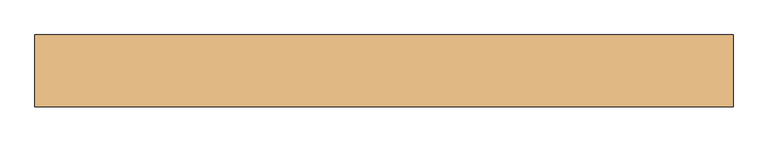
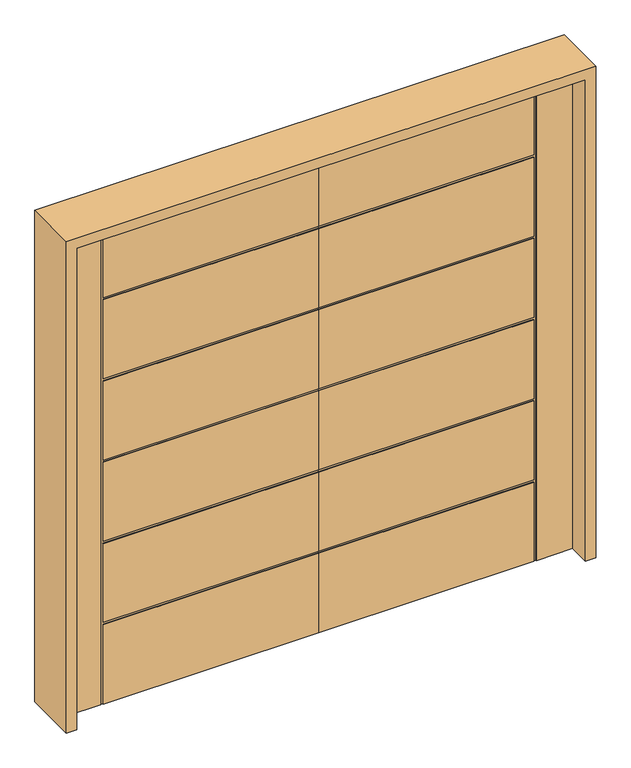
"""IFC4 building model written with IfcOpenShell, lengths in millimetres: door geometry."""

from ifc_helpers import new_model, si_unit, frame, origin, place, context, project, spatial, polyline, outline, extrude, faceted_brep, source, transform, mapped, element, save


def door_2b05af65(model_context):
    return source(origin(), model_context, "Body", "SolidModel", [
        faceted_brep([(0.0, -22.225, 0.0), (-903.224, -22.225, 0.0), (-903.224, -19.05, 0.0), (-913.13, -19.05, 0.0), (-913.13, -22.225, 0.0), (-1066.8, -22.225, 0.0), (-1066.8, 22.225, 0.0), (-913.13, 22.225, 0.0), (-913.13, 18.923, 0.0), (-903.224, 18.923, 0.0), (-903.224, 22.225, 0.0), (0.0, 22.225, 0.0), (0.0, -22.225, 2133.6), (0.0, -22.225, 1801.368), (0.0, -19.05, 1801.368), (0.0, -19.05, 1791.462), (0.0, -22.225, 1791.462), (0.0, -22.225, 1441.45), (0.0, -19.05, 1441.45), (0.0, -19.05, 1431.544), (0.0, -22.225, 1431.544), (0.0, -22.225, 1081.532), (0.0, -19.05, 1081.532), (0.0, -19.05, 1071.626), (0.0, -22.225, 1071.626), (0.0, -22.225, 721.614), (0.0, -19.05, 721.614), (0.0, -19.05, 711.708), (0.0, -22.225, 711.708), (0.0, -22.225, 361.696), (0.0, -19.05, 361.696), (0.0, -19.05, 351.79), (0.0, -22.225, 351.79), (0.0, 22.225, 351.79), (0.0, 18.923, 351.79), (0.0, 18.923, 361.696), (0.0, 22.225, 361.696), (0.0, 22.225, 711.708), (0.0, 18.923, 711.708), (0.0, 18.923, 721.614), (0.0, 22.225, 721.614), (0.0, 22.225, 1071.626), (0.0, 18.923, 1071.626), (0.0, 18.923, 1081.532), (0.0, 22.225, 1081.532), (0.0, 22.225, 1431.544), (0.0, 18.923, 1431.544), (0.0, 18.923, 1441.45), (0.0, 22.225, 1441.45), (0.0, 22.225, 1791.462), (0.0, 18.923, 1791.462), (0.0, 18.923, 1801.368), (0.0, 22.225, 1801.368), (0.0, 22.225, 2133.6), (-903.224, 22.225, 1801.368), (-903.224, 22.225, 2133.6), (-903.224, 22.225, 351.79), (-903.224, 22.225, 361.696), (-903.224, 22.225, 711.708), (-903.224, 22.225, 721.614), (-903.224, 22.225, 1071.626), (-903.224, 22.225, 1081.532), (-903.224, 22.225, 1431.544), (-903.224, 22.225, 1441.45), (-903.224, 22.225, 1791.462), (-1066.8, 22.225, 2133.6), (-913.13, 22.225, 2133.6), (-903.224, 18.923, 351.79), (-903.224, 18.923, 361.696), (-913.13, 18.923, 2133.6), (-903.224, 18.923, 2133.6), (-903.224, 18.923, 1801.368), (-903.224, 18.923, 1791.462), (-903.224, 18.923, 1441.45), (-903.224, 18.923, 1431.544), (-903.224, 18.923, 1081.532), (-903.224, 18.923, 1071.626), (-903.224, 18.923, 721.614), (-903.224, 18.923, 711.708), (-1066.8, -22.225, 2133.6), (-913.13, -22.225, 2133.6), (-903.224, -22.225, 351.79), (-903.224, -22.225, 711.708), (-903.224, -22.225, 361.696), (-903.224, -22.225, 1071.626), (-903.224, -22.225, 721.614), (-903.224, -22.225, 2133.6), (-903.224, -22.225, 1801.368), (-903.224, -22.225, 1431.544), (-903.224, -22.225, 1081.532), (-903.224, -22.225, 1791.462), (-903.224, -22.225, 1441.45), (-913.13, -19.05, 2133.6), (-903.224, -19.05, 2133.6), (-903.224, -19.05, 361.696), (-903.224, -19.05, 711.708), (-903.224, -19.05, 721.614), (-903.224, -19.05, 1071.626), (-903.224, -19.05, 1081.532), (-903.224, -19.05, 1431.544), (-903.224, -19.05, 1441.45), (-903.224, -19.05, 1791.462), (-903.224, -19.05, 1801.368), (-903.224, -19.05, 351.79)], [[[0, 1, 2, 3, 4, 5, 6, 7, 8, 9, 10, 11]], [[12, 13, 14, 15, 16, 17, 18, 19, 20, 21, 22, 23, 24, 25, 26, 27, 28, 29, 30, 31, 32, 0, 11, 33, 34, 35, 36, 37, 38, 39, 40, 41, 42, 43, 44, 45, 46, 47, 48, 49, 50, 51, 52, 53]], [[53, 52, 54, 55]], [[10, 56, 33, 11]], [[36, 57, 58, 37]], [[40, 59, 60, 41]], [[44, 61, 62, 45]], [[48, 63, 64, 49]], [[65, 66, 7, 6]], [[67, 56, 10, 9]], [[68, 35, 34, 67, 9, 8, 69, 70, 71, 51, 50, 72, 73, 47, 46, 74, 75, 43, 42, 76, 77, 39, 38, 78]], [[8, 7, 66, 69]], [[65, 6, 5, 79]], [[5, 4, 80, 79]], [[0, 32, 81, 1]], [[28, 82, 83, 29]], [[24, 84, 85, 25]], [[86, 87, 13, 12]], [[20, 88, 89, 21]], [[16, 90, 91, 17]], [[34, 33, 56, 67]], [[38, 37, 58, 78]], [[78, 58, 57, 68]], [[68, 57, 36, 35]], [[42, 41, 60, 76]], [[76, 60, 59, 77]], [[77, 59, 40, 39]], [[74, 62, 61, 75]], [[75, 61, 44, 43]], [[79, 80, 92, 93, 86, 12, 53, 55, 70, 69, 66, 65]], [[46, 45, 62, 74]], [[73, 63, 48, 47]], [[72, 64, 63, 73]], [[50, 49, 64, 72]], [[71, 54, 52, 51]], [[70, 55, 54, 71]], [[92, 80, 4, 3]], [[94, 95, 27, 26, 96, 97, 23, 22, 98, 99, 19, 18, 100, 101, 15, 14, 102, 93, 92, 3, 2, 103, 31, 30]], [[2, 1, 81, 103]], [[103, 81, 32, 31]], [[30, 29, 83, 94]], [[94, 83, 82, 95]], [[95, 82, 28, 27]], [[26, 25, 85, 96]], [[96, 85, 84, 97]], [[97, 84, 24, 23]], [[22, 21, 89, 98]], [[98, 89, 88, 99]], [[99, 88, 20, 19]], [[18, 17, 91, 100]], [[100, 91, 90, 101]], [[101, 90, 16, 15]], [[14, 13, 87, 102]], [[102, 87, 86, 93]]]),
        faceted_brep([(0.0, -22.225, 0.0), (0.0, 22.225, 0.0), (903.224, 22.225, 0.0), (903.224, 18.923, 0.0), (913.13, 18.923, 0.0), (913.13, 22.225, 0.0), (1066.8, 22.225, 0.0), (1066.8, -22.225, 0.0), (913.13, -22.225, 0.0), (913.13, -19.05, 0.0), (903.224, -19.05, 0.0), (903.224, -22.225, 0.0), (0.0, -22.225, 2133.6), (0.0, 22.225, 2133.6), (0.0, 22.225, 1801.368), (0.0, 18.923, 1801.368), (0.0, 18.923, 1791.462), (0.0, 22.225, 1791.462), (0.0, 22.225, 1441.45), (0.0, 18.923, 1441.45), (0.0, 18.923, 1431.544), (0.0, 22.225, 1431.544), (0.0, 22.225, 1081.532), (0.0, 18.923, 1081.532), (0.0, 18.923, 1071.626), (0.0, 22.225, 1071.626), (0.0, 22.225, 721.614), (0.0, 18.923, 721.614), (0.0, 18.923, 711.708), (0.0, 22.225, 711.708), (0.0, 22.225, 361.696), (0.0, 18.923, 361.696), (0.0, 18.923, 351.79), (0.0, 22.225, 351.79), (0.0, -22.225, 351.79), (0.0, -19.05, 351.79), (0.0, -19.05, 361.696), (0.0, -22.225, 361.696), (0.0, -22.225, 711.708), (0.0, -19.05, 711.708), (0.0, -19.05, 721.614), (0.0, -22.225, 721.614), (0.0, -22.225, 1071.626), (0.0, -19.05, 1071.626), (0.0, -19.05, 1081.532), (0.0, -22.225, 1081.532), (0.0, -22.225, 1431.544), (0.0, -19.05, 1431.544), (0.0, -19.05, 1441.45), (0.0, -22.225, 1441.45), (0.0, -22.225, 1791.462), (0.0, -19.05, 1791.462), (0.0, -19.05, 1801.368), (0.0, -22.225, 1801.368), (903.224, 22.225, 351.79), (903.224, 22.225, 1791.462), (903.224, 22.225, 1441.45), (903.224, 22.225, 1431.544), (903.224, 22.225, 1081.532), (903.224, 22.225, 1071.626), (903.224, 22.225, 721.614), (903.224, 22.225, 711.708), (903.224, 22.225, 361.696), (1066.8, 22.225, 2133.6), (913.13, 22.225, 2133.6), (903.224, 22.225, 2133.6), (903.224, 22.225, 1801.368), (903.224, 18.923, 351.79), (903.224, 18.923, 361.696), (903.224, 18.923, 711.708), (903.224, 18.923, 721.614), (903.224, 18.923, 1071.626), (903.224, 18.923, 1081.532), (903.224, 18.923, 1431.544), (903.224, 18.923, 1441.45), (903.224, 18.923, 1791.462), (903.224, 18.923, 1801.368), (903.224, 18.923, 2133.6), (913.13, 18.923, 2133.6), (1066.8, -22.225, 2133.6), (903.224, -22.225, 351.79), (913.13, -22.225, 2133.6), (903.224, -22.225, 361.696), (903.224, -22.225, 711.708), (903.224, -22.225, 721.614), (903.224, -22.225, 1071.626), (903.224, -22.225, 1081.532), (903.224, -22.225, 1431.544), (903.224, -22.225, 1441.45), (903.224, -22.225, 1791.462), (903.224, -22.225, 2133.6), (903.224, -22.225, 1801.368), (903.224, -19.05, 2133.6), (913.13, -19.05, 2133.6), (903.224, -19.05, 361.696), (903.224, -19.05, 351.79), (903.224, -19.05, 1801.368), (903.224, -19.05, 1791.462), (903.224, -19.05, 1441.45), (903.224, -19.05, 1431.544), (903.224, -19.05, 1081.532), (903.224, -19.05, 1071.626), (903.224, -19.05, 721.614), (903.224, -19.05, 711.708)], [[[0, 1, 2, 3, 4, 5, 6, 7, 8, 9, 10, 11]], [[12, 13, 14, 15, 16, 17, 18, 19, 20, 21, 22, 23, 24, 25, 26, 27, 28, 29, 30, 31, 32, 33, 1, 0, 34, 35, 36, 37, 38, 39, 40, 41, 42, 43, 44, 45, 46, 47, 48, 49, 50, 51, 52, 53]], [[2, 1, 33, 54]], [[18, 17, 55, 56]], [[22, 21, 57, 58]], [[26, 25, 59, 60]], [[30, 29, 61, 62]], [[63, 6, 5, 64]], [[13, 65, 66, 14]], [[67, 3, 2, 54]], [[68, 69, 28, 27, 70, 71, 24, 23, 72, 73, 20, 19, 74, 75, 16, 15, 76, 77, 78, 4, 3, 67, 32, 31]], [[4, 78, 64, 5]], [[63, 79, 7, 6]], [[0, 11, 80, 34]], [[7, 79, 81, 8]], [[38, 37, 82, 83]], [[42, 41, 84, 85]], [[46, 45, 86, 87]], [[50, 49, 88, 89]], [[90, 12, 53, 91]], [[32, 67, 54, 33]], [[28, 69, 61, 29]], [[69, 68, 62, 61]], [[68, 31, 30, 62]], [[24, 71, 59, 25]], [[71, 70, 60, 59]], [[70, 27, 26, 60]], [[73, 72, 58, 57]], [[72, 23, 22, 58]], [[79, 63, 64, 78, 77, 65, 13, 12, 90, 92, 93, 81]], [[20, 73, 57, 21]], [[74, 19, 18, 56]], [[75, 74, 56, 55]], [[16, 75, 55, 17]], [[76, 15, 14, 66]], [[77, 76, 66, 65]], [[93, 9, 8, 81]], [[94, 36, 35, 95, 10, 9, 93, 92, 96, 52, 51, 97, 98, 48, 47, 99, 100, 44, 43, 101, 102, 40, 39, 103]], [[10, 95, 80, 11]], [[95, 35, 34, 80]], [[36, 94, 82, 37]], [[94, 103, 83, 82]], [[103, 39, 38, 83]], [[40, 102, 84, 41]], [[102, 101, 85, 84]], [[101, 43, 42, 85]], [[44, 100, 86, 45]], [[100, 99, 87, 86]], [[99, 47, 46, 87]], [[48, 98, 88, 49]], [[98, 97, 89, 88]], [[97, 51, 50, 89]], [[52, 96, 91, 53]], [[96, 92, 90, 91]]]),
        extrude(outline(polyline([(0.0, -1111.25), (0.0, -1066.8), (2133.6, -1066.8), (2133.6, 1066.8), (0.0, 1066.8), (0.0, 1111.25), (2178.05, 1111.25), (2178.05, -1111.25), (0.0, -1111.25)])), frame((0.0, -114.3, 0.0), z_axis=(0.0, 1.0, 0.0), x_axis=(0.0, 0.0, 1.0)), (0.0, 0.0, 1.0), 228.6),
    ])


if __name__ == "__main__":
    model = new_model("IFC4")
    model_context = context("Model", 3, world=origin())
    ifc_project = project(units=[si_unit("LENGTHUNIT", "METRE", prefix="MILLI")], contexts=[model_context])
    site = spatial("IfcSite", under=ifc_project)
    building = spatial("IfcBuilding", under=site)
    placement = place(None, origin())
    door_shape = door_2b05af65(model_context)
    element("IfcDoor", 1, at=placement, inside=building, context=model_context, shape_type="MappedRepresentation", body=[
        mapped(door_shape, transform((0.0, 0.0, 0.0), x_axis=(1.0, 0.0, 0.0), y_axis=(0.0, 1.0, 0.0), z_axis=(0.0, 0.0, 1.0))),
    ])
    save(model, "model.ifc")
